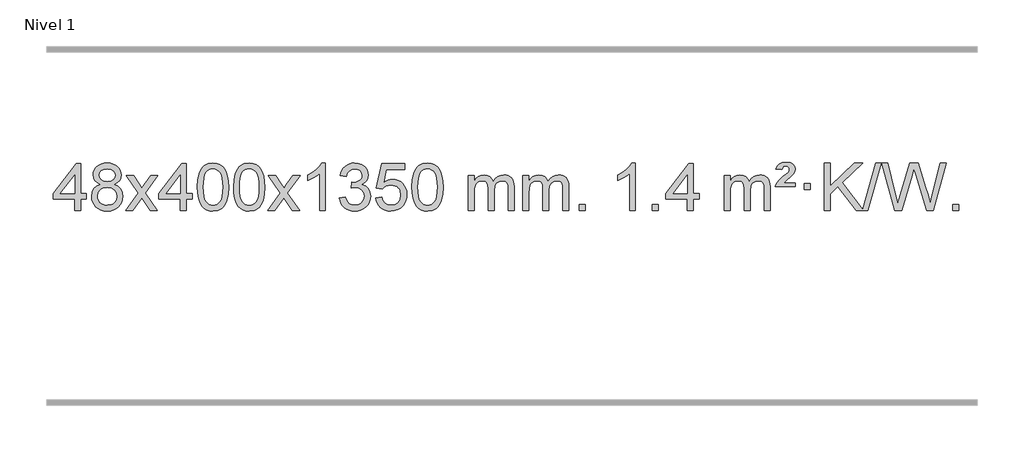
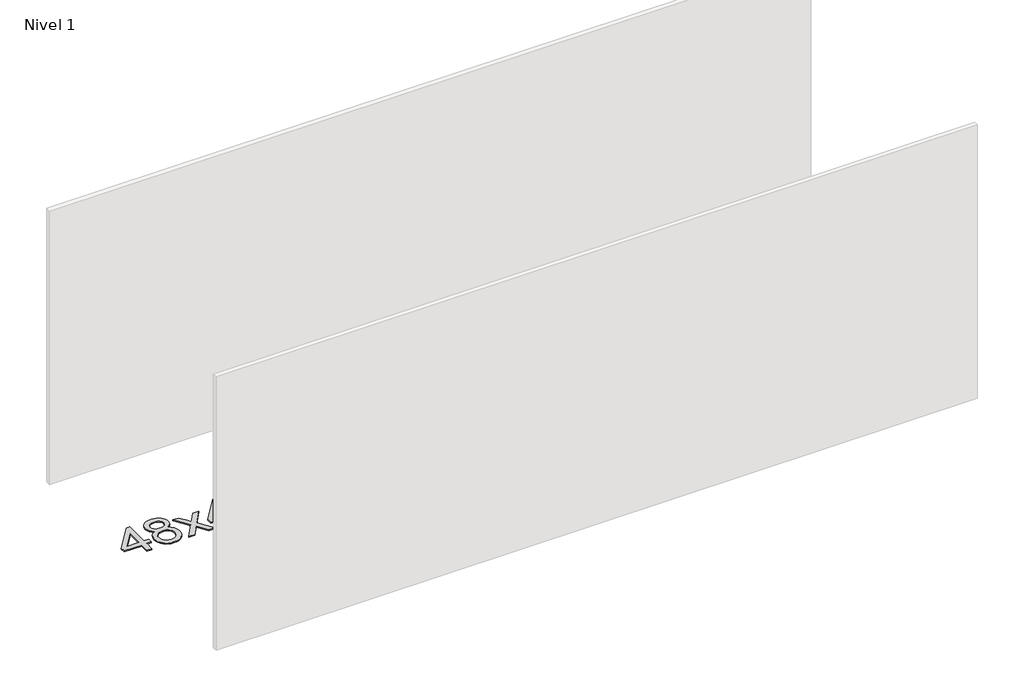
# One storey, part 9 of 10: 1 proxy.
"""IFC4 building model written with IfcOpenShell, lengths in millimetres."""

import ifcopenshell
import ifcopenshell.guid

model = None  # the IFC model being written
_history = None  # IfcOwnerHistory: only IFC2X3 demands one
_inside = {}  # id of a spatial element -> (the spatial element, [elements in it])
_under = {}  # id of a project, library or spatial element -> (it, [spatial elements below it])
_declared = {}  # id of a project -> (the project, [libraries it declares])
_typed = {}  # id of a type object -> (the type object, [elements of that type])
_made_of = {}  # id of a material, layer set ... -> (it, [elements and type objects made of it])


def new_model(schema):
    """Start an empty IFC model of exactly this schema.

    Asked for "IFC4X3", IfcOpenShell would pick the latest addendum, in which some entities
    have other attributes; the version numbers below select the first issue.
    IFC2X3 requires an IfcOwnerHistory on every rooted entity: one is made here for all.
    """
    global model, _history
    if schema == "IFC4X3":
        model = ifcopenshell.file(schema_version=(4, 3, 0, 0))
    else:
        model = ifcopenshell.file(schema=schema)
    _inside.clear()
    _under.clear()
    _declared.clear()
    _typed.clear()
    _made_of.clear()
    _history = None
    if model.schema == "IFC2X3":
        org = make("IfcOrganization", Name="unknown")
        user = make(
            "IfcPersonAndOrganization",
            ThePerson=make("IfcPerson", FamilyName="unknown"),
            TheOrganization=org,
        )
        app = make(
            "IfcApplication",
            ApplicationDeveloper=org,
            Version="unknown",
            ApplicationFullName="unknown",
            ApplicationIdentifier="unknown",
        )
        _history = make(
            "IfcOwnerHistory",
            OwningUser=user,
            OwningApplication=app,
            ChangeAction="ADDED",
            CreationDate=0,
        )
    return model


def make(cls, **values):
    """One entity of the class cls with the attributes given. An attribute that is None is left unset."""
    return model.create_entity(
        cls, **{name: value for name, value in values.items() if value is not None}
    )


def rooted(cls, **values):
    """An entity with a GlobalId (a new one), such as an element, a storey or a relation."""
    return make(cls, GlobalId=ifcopenshell.guid.new(), OwnerHistory=_history, **values)


def si_unit(unit_type, name, prefix=None):
    """IfcSIUnit, for example si_unit("LENGTHUNIT", "METRE", prefix="MILLI")."""
    return make("IfcSIUnit", UnitType=unit_type, Prefix=prefix, Name=name)


def assignment(units):
    """IfcUnitAssignment: the units of a project."""
    return None if units is None else make("IfcUnitAssignment", Units=units)


def point(xyz):
    """IfcCartesianPoint."""
    return None if xyz is None else make("IfcCartesianPoint", Coordinates=xyz)


def direction(xyz):
    """IfcDirection."""
    return None if xyz is None else make("IfcDirection", DirectionRatios=xyz)


def frame(location, z_axis=None, x_axis=None):
    """IfcAxis2Placement3D, a coordinate frame: its origin and axes. An axis left out is left unset."""
    return make(
        "IfcAxis2Placement3D",
        Location=point(location),
        Axis=direction(z_axis),
        RefDirection=direction(x_axis),
    )


def origin():
    """The frame at (0, 0, 0) with its axes left unset."""
    return frame((0.0, 0.0, 0.0))


def origin_with_axes():
    """The frame at (0, 0, 0) with the z axis (0, 0, 1) and the x axis (1, 0, 0) written out."""
    return frame((0.0, 0.0, 0.0), z_axis=(0.0, 0.0, 1.0), x_axis=(1.0, 0.0, 0.0))


def place(relative_to, where):
    """IfcLocalPlacement: puts the frame where relative to a parent placement (None: the world)."""
    return make(
        "IfcLocalPlacement", PlacementRelTo=relative_to, RelativePlacement=where
    )


def context(
    kind, dimensions, precision=None, world=None, true_north=None, identifier=None
):
    """IfcGeometricRepresentationContext, for example the 3D "Model" context."""
    return make(
        "IfcGeometricRepresentationContext",
        ContextIdentifier=identifier,
        ContextType=kind,
        CoordinateSpaceDimension=dimensions,
        Precision=precision,
        WorldCoordinateSystem=world,
        TrueNorth=true_north,
    )


def project(units=None, contexts=None):
    """IfcProject with its units and contexts."""
    return rooted(
        "IfcProject",
        Name="project",
        RepresentationContexts=contexts,
        UnitsInContext=assignment(units),
    )


def spatial(cls, under=None, at=None, **own):
    """A site, building, storey or space (cls), placed at a placement, below another one or the project."""
    s = rooted(cls, ObjectPlacement=at, **own)
    if under is not None:
        _under.setdefault(under.id(), (under, []))[1].append(s)
    return s


def polyline(points):
    """IfcPolyline through the points."""
    return make("IfcPolyline", Points=[point(p) for p in points])


def outline(outer, holes=None, kind="AREA"):
    """IfcArbitraryClosedProfileDef: a profile drawn as a closed curve; with holes, ...WithVoids."""
    if holes is None:
        return make("IfcArbitraryClosedProfileDef", ProfileType=kind, OuterCurve=outer)
    return make(
        "IfcArbitraryProfileDefWithVoids",
        ProfileType=kind,
        OuterCurve=outer,
        InnerCurves=holes,
    )


def extrude(swept, where, along, depth):
    """IfcExtrudedAreaSolid: the profile swept, set in the frame where, extruded along a direction by depth."""
    return make(
        "IfcExtrudedAreaSolid",
        SweptArea=swept,
        Position=where,
        ExtrudedDirection=direction(along),
        Depth=depth,
    )


def shape(context_of_items, identifier, shape_type, items):
    """IfcShapeRepresentation: the items that make up one representation, for example the "Body"."""
    return make(
        "IfcShapeRepresentation",
        ContextOfItems=context_of_items,
        RepresentationIdentifier=identifier,
        RepresentationType=shape_type,
        Items=items,
    )


def made_of(thing, what):
    """Note that an element or type object is made of a material, layer set ...; save() writes the relation."""
    if what is not None:
        _made_of.setdefault(what.id(), (what, []))[1].append(thing)
    return thing


def element(
    cls,
    number,
    at=None,
    inside=None,
    cuts=None,
    type_object=None,
    material=None,
    context=None,
    identifier="Body",
    shape_type=None,
    held_by="IfcProductDefinitionShape",
    body=None,
    shapes=None,
    **own,
):
    """One element of the class cls, such as IfcWall. Its Tag is "e" and its number.

    at: its placement. inside: the storey or other place that contains it. cuts: it is an
    opening in that element (IfcRelVoidsElement). A single representation is given by context,
    identifier, shape_type and body (its items); several are given by shapes. held_by: the class
    of the entity that holds the representations. save() writes the other relations.
    """
    e = rooted(cls, Tag="e%d" % number, ObjectPlacement=at, **own)
    if body is not None:
        shapes = [shape(context, identifier, shape_type, body)]
    if shapes is not None:
        e.Representation = make(held_by, Representations=shapes)
    if inside is not None:
        _inside.setdefault(inside.id(), (inside, []))[1].append(e)
    if cuts is not None:
        rooted(
            "IfcRelVoidsElement", RelatingBuildingElement=cuts, RelatedOpeningElement=e
        )
    if type_object is not None:
        _typed.setdefault(type_object.id(), (type_object, []))[1].append(e)
    return made_of(e, material)


def aggregate(whole, parts):
    """IfcRelAggregates: a whole, such as a stair, and the parts it consists of."""
    return rooted("IfcRelAggregates", RelatingObject=whole, RelatedObjects=parts)


def save(model, path):
    """Write the relations noted so far, then the file.

    IfcRelAggregates (storeys below a building ...), IfcRelContainedInSpatialStructure (elements
    in a storey), IfcRelDefinesByType, IfcRelAssociatesMaterial and IfcRelDeclares: one each for
    every whole, place, type object, material and project.
    """
    for whole, parts in _under.values():
        aggregate(whole, parts)
    for where, things in _inside.values():
        rooted(
            "IfcRelContainedInSpatialStructure",
            RelatedElements=things,
            RelatingStructure=where,
        )
    for kind, things in _typed.values():
        rooted("IfcRelDefinesByType", RelatedObjects=things, RelatingType=kind)
    for what, things in _made_of.values():
        rooted("IfcRelAssociatesMaterial", RelatedObjects=things, RelatingMaterial=what)
    for by, libraries in _declared.values():
        rooted("IfcRelDeclares", RelatingContext=by, RelatedDefinitions=libraries)
    model.write(path)


model = new_model("IFC4")

# Units and contexts
model_context = context("Model", 3, world=origin())
ifc_project = project(units=[si_unit("LENGTHUNIT", "METRE", prefix="MILLI")], contexts=[model_context])

# Site, building, storey
site = spatial("IfcSite", under=ifc_project)
building = spatial("IfcBuilding", under=site)
storey = spatial("IfcBuildingStorey", under=building, Name="Nivel 1", Elevation=0.0)

# Proxy
placement = place(None, origin())
element("IfcBuildingElementProxy", 1, Name="Texto de modelo 1", ObjectType="Texto de modelo 1", at=placement, inside=storey, context=model_context, shape_type="SweptSolid", body=[
    extrude(outline(polyline([(-11392.9282065, 2608.420547), (-11392.9282065, 2702.5983378), (-11575.0052686, 2702.5983378), (-11575.0052686, 2752.8264928), (-11380.3711677, 3003.9672682), (-11342.7000514, 3003.9672682), (-11342.7000514, 2752.8264928), (-11292.4718963, 2752.8264928), (-11292.4718963, 2702.5983378), (-11342.7000514, 2702.5983378), (-11342.7000514, 2608.420547), (-11392.9282065, 2608.420547)]), holes=[polyline([(-11392.9282065, 2752.8264928), (-11392.9282065, 2908.0236439), (-11513.2010934, 2752.8264928), (-11392.9282065, 2752.8264928)])]), origin_with_axes(), (0.0, 0.0, 1.0), 10.0),
    extrude(outline(polyline([(-11175.3382691, 2829.7383553), (-11202.2304429, 2842.9821071), (-11221.1027893, 2860.9347485), (-11232.2496137, 2883.2283974), (-11235.9652219, 2909.4951719), (-11233.9418709, 2929.9800676), (-11227.871818, 2948.7604435), (-11217.7550631, 2965.8362994), (-11203.5916063, 2981.2076355), (-11186.0620292, 2993.911827), (-11165.8469136, 3002.9862496), (-11142.9462594, 3008.4309031), (-11117.3600666, 3010.2457876), (-11091.6512465, 3008.3879835), (-11068.5789141, 3002.8145713), (-11048.1430692, 2993.5255509), (-11030.343712, 2980.5209224), (-11015.9227378, 2964.8491494), (-11005.6220419, 2947.5586956), (-10999.4416244, 2928.6495611), (-10997.3814853, 2908.1217457), (-11001.0480425, 2882.7010999), (-11012.0477141, 2860.7875957), (-11030.5031276, 2842.9453189), (-11056.5369101, 2829.7383553), (-11025.6225598, 2813.8090649), (-11003.1204444, 2790.3504564), (-10989.398446, 2760.4907011), (-10984.8244465, 2725.3579705), (-10987.0930521, 2700.3052067), (-10993.898869, 2677.3371074), (-11005.2418972, 2656.4536728), (-11021.1221367, 2637.6549029), (-11040.7057216, 2622.11802), (-11063.158786, 2611.0202464), (-11088.48133, 2604.3615823), (-11116.6733536, 2602.1420276), (-11144.8653771, 2604.3707794), (-11170.1879211, 2611.0570346), (-11192.6409856, 2622.2007934), (-11212.2245704, 2637.8020557), (-11228.1048099, 2656.73265), (-11239.4478381, 2677.864405), (-11246.253655, 2701.1973205), (-11248.5222606, 2726.7313967), (-11243.7643202, 2763.2252906), (-11229.4904987, 2793.2444614), (-11206.4365604, 2815.7588395), (-11175.3382691, 2829.7383553)]), holes=[polyline([(-11185.7370668, 2908.0236439), (-11181.2856946, 2886.097877), (-11167.9315782, 2868.586694), (-11146.067125, 2857.1087757), (-11116.0847424, 2853.282803), (-11086.8013355, 2857.0842503), (-11065.2679761, 2868.4885921), (-11052.0242243, 2885.4111639), (-11047.6096403, 2905.767301), (-11052.1713771, 2926.8959902), (-11065.8565873, 2944.370385), (-11087.6842523, 2956.1058206), (-11116.6733536, 2960.0176325), (-11145.8463958, 2956.1916598), (-11167.6372726, 2944.7137415), (-11181.2121182, 2927.8892716), (-11185.7370668, 2908.0236439)]), polyline([(-11198.2941056, 2728.4972302), (-11196.1971782, 2709.2815274), (-11189.9063961, 2690.6789611), (-11178.2935878, 2674.4553651), (-11160.2305818, 2662.376573), (-11138.5991205, 2654.8717803), (-11116.2809461, 2652.3701827), (-11082.092446, 2657.6308952), (-11068.1987693, 2664.2067859), (-11056.4388082, 2673.4130328), (-11040.3991532, 2697.3130998), (-11035.0526016, 2726.9276004), (-11040.5708315, 2757.0448731), (-11057.1255213, 2781.4722375), (-11069.2043134, 2790.9145421), (-11083.3677703, 2797.6590453), (-11117.9486778, 2803.0546479), (-11151.6589313, 2797.7326217), (-11165.3962581, 2791.080089), (-11177.0550517, 2781.7665431), (-11192.9843421, 2757.8051625), (-11198.2941056, 2728.4972302)])]), origin_with_axes(), (0.0, 0.0, 1.0), 10.0),
    extrude(outline(polyline([(-10959.7103689, 2608.420547), (-10852.3869282, 2756.7505675), (-10953.4318496, 2903.5109581), (-10893.0011005, 2903.5109581), (-10844.2444734, 2832.877615), (-10821.4848406, 2799.5229808), (-10801.7663657, 2826.7952993), (-10746.2407099, 2903.5109581), (-10685.8099608, 2903.5109581), (-10791.9561791, 2756.7505675), (-10689.7340354, 2608.420547), (-10750.1647845, 2608.420547), (-10811.6746541, 2697.5951426), (-10822.9563686, 2713.8800523), (-10899.2796199, 2608.420547), (-10959.7103689, 2608.420547)])), origin_with_axes(), (0.0, 0.0, 1.0), 10.0),
    extrude(outline(polyline([(-10495.0999345, 2608.420547), (-10495.0999345, 2702.5983378), (-10677.1769967, 2702.5983378), (-10677.1769967, 2752.8264928), (-10482.5428957, 3003.9672682), (-10444.8717794, 3003.9672682), (-10444.8717794, 2752.8264928), (-10394.6436244, 2752.8264928), (-10394.6436244, 2702.5983378), (-10444.8717794, 2702.5983378), (-10444.8717794, 2608.420547), (-10495.0999345, 2608.420547)]), holes=[polyline([(-10495.0999345, 2752.8264928), (-10495.0999345, 2908.0236439), (-10615.3728215, 2752.8264928), (-10495.0999345, 2752.8264928)])]), origin_with_axes(), (0.0, 0.0, 1.0), 10.0),
    extrude(outline(polyline([(-10350.6939887, 2806.0958057), (-10347.002906, 2870.4138412), (-10335.9296579, 2921.7088541), (-10317.5846091, 2960.7656593), (-10305.7265461, 2975.9990395), (-10292.0781241, 2988.3690716), (-10276.5933578, 2997.9401349), (-10259.2262619, 3004.7766086), (-10218.8450816, 3010.2457876), (-10187.8939431, 3007.008426), (-10160.1801661, 2997.2963414), (-10137.0036004, 2981.4896783), (-10119.6640957, 2959.9685816), (-10106.5674967, 2932.9169922), (-10096.119648, 2900.5188512), (-10089.2770429, 2859.3773814), (-10086.9961745, 2806.0958057), (-10090.650469, 2742.1456523), (-10101.6133525, 2690.9732667), (-10119.8480367, 2651.8796734), (-10131.6785085, 2636.6003078), (-10145.3177335, 2624.1658964), (-10160.8208939, 2614.5304538), (-10178.2431721, 2607.6479948), (-10218.8450816, 2602.1420276), (-10246.5098076, 2604.5332606), (-10271.035274, 2611.7069595), (-10292.4214806, 2623.6631243), (-10310.6684276, 2640.4017551), (-10328.1796106, 2670.6600492), (-10340.6875984, 2708.3618224), (-10348.1923911, 2753.5070745), (-10350.6939887, 2806.0958057)]), holes=[polyline([(-10300.4658336, 2806.1939076), (-10298.9943056, 2762.5293805), (-10294.5797217, 2727.1851178), (-10287.2220818, 2700.1611196), (-10276.9213859, 2681.4573858), (-10264.462449, 2668.7317344), (-10250.630086, 2659.6419835), (-10235.4242968, 2654.1881329), (-10218.8450816, 2652.3701827), (-10202.2658663, 2654.1942643), (-10187.0600772, 2659.6665089), (-10173.2277142, 2668.7869167), (-10160.7687773, 2681.5554876), (-10150.4680814, 2700.2898783), (-10143.1104415, 2727.3077451), (-10138.6958576, 2762.6090882), (-10137.2243296, 2806.1939076), (-10138.6468066, 2848.7026722), (-10142.9142378, 2883.4246011), (-10150.026623, 2910.3596945), (-10159.9839624, 2929.5079524), (-10172.2344328, 2942.8559375), (-10186.2262114, 2952.3902125), (-10201.959298, 2958.1107775), (-10219.4336928, 2960.0176325), (-10235.9270689, 2958.3376381), (-10250.8753406, 2953.2976548), (-10264.278508, 2944.8976825), (-10276.136571, 2933.1377214), (-10286.7806234, 2912.291075), (-10294.3835179, 2884.1848906), (-10298.9452547, 2848.8191681), (-10300.4658336, 2806.1939076)])]), origin_with_axes(), (0.0, 0.0, 1.0), 10.0),
    extrude(outline(polyline([(-10043.0465388, 2806.0958057), (-10039.3554561, 2870.4138412), (-10028.2822081, 2921.7088541), (-10009.9371593, 2960.7656593), (-9998.0790963, 2975.9990395), (-9984.4306743, 2988.3690716), (-9968.945908, 2997.9401349), (-9951.5788121, 3004.7766086), (-9911.1976318, 3010.2457876), (-9880.2464932, 3007.008426), (-9852.5327163, 2997.2963414), (-9829.3561506, 2981.4896783), (-9812.0166459, 2959.9685816), (-9798.9200468, 2932.9169922), (-9788.4721982, 2900.5188512), (-9781.6295931, 2859.3773814), (-9779.3487247, 2806.0958057), (-9783.0030192, 2742.1456523), (-9793.9659026, 2690.9732667), (-9812.2005869, 2651.8796734), (-9824.0310587, 2636.6003078), (-9837.6702837, 2624.1658964), (-9853.1734441, 2614.5304538), (-9870.5957222, 2607.6479948), (-9911.1976318, 2602.1420276), (-9938.8623578, 2604.5332606), (-9963.3878241, 2611.7069595), (-9984.7740308, 2623.6631243), (-10003.0209778, 2640.4017551), (-10020.5321607, 2670.6600492), (-10033.0401486, 2708.3618224), (-10040.5449413, 2753.5070745), (-10043.0465388, 2806.0958057)]), holes=[polyline([(-9992.8183838, 2806.1939076), (-9991.3468558, 2762.5293805), (-9986.9322718, 2727.1851178), (-9979.5746319, 2700.1611196), (-9969.2739361, 2681.4573858), (-9956.8149992, 2668.7317344), (-9942.9826361, 2659.6419835), (-9927.776847, 2654.1881329), (-9911.1976318, 2652.3701827), (-9894.6184165, 2654.1942643), (-9879.4126274, 2659.6665089), (-9865.5802644, 2668.7869167), (-9853.1213275, 2681.5554876), (-9842.8206316, 2700.2898783), (-9835.4629917, 2727.3077451), (-9831.0484077, 2762.6090882), (-9829.5768798, 2806.1939076), (-9830.9993568, 2848.7026722), (-9835.266788, 2883.4246011), (-9842.3791732, 2910.3596945), (-9852.3365125, 2929.5079524), (-9864.586983, 2942.8559375), (-9878.5787615, 2952.3902125), (-9894.3118482, 2958.1107775), (-9911.786243, 2960.0176325), (-9928.2796191, 2958.3376381), (-9943.2278908, 2953.2976548), (-9956.6310582, 2944.8976825), (-9968.4891211, 2933.1377214), (-9979.1331735, 2912.291075), (-9986.7360681, 2884.1848906), (-9991.2978048, 2848.8191681), (-9992.8183838, 2806.1939076)])]), origin_with_axes(), (0.0, 0.0, 1.0), 10.0),
    extrude(outline(polyline([(-9754.2346472, 2608.420547), (-9646.9112064, 2756.7505675), (-9747.9561278, 2903.5109581), (-9687.5253787, 2903.5109581), (-9638.7687516, 2832.877615), (-9616.0091188, 2799.5229808), (-9596.2906439, 2826.7952993), (-9540.7649881, 2903.5109581), (-9480.334239, 2903.5109581), (-9586.4804574, 2756.7505675), (-9484.2583136, 2608.420547), (-9544.6890627, 2608.420547), (-9606.1989323, 2697.5951426), (-9617.4806468, 2713.8800523), (-9693.8038981, 2608.420547), (-9754.2346472, 2608.420547)])), origin_with_axes(), (0.0, 0.0, 1.0), 10.0),
    extrude(outline(polyline([(-9264.5101352, 2608.420547), (-9314.7382902, 2608.420547), (-9314.7382902, 2921.5617013), (-9335.707564, 2904.6023413), (-9362.317695, 2887.6675068), (-9415.1946004, 2862.3081746), (-9415.1946004, 2909.7894775), (-9375.7453878, 2931.2492605), (-9341.5691504, 2956.780271), (-9314.6279257, 2983.9299622), (-9296.8837508, 3010.2457876), (-9264.5101352, 3010.2457876), (-9264.5101352, 2608.420547)])), origin_with_axes(), (0.0, 0.0, 1.0), 10.0),
    extrude(outline(polyline([(-9145.2182669, 2715.1553765), (-9094.9901118, 2721.4338959), (-9083.7451855, 2689.8696207), (-9067.2763348, 2668.5569905), (-9044.7742195, 2656.4168846), (-9015.429499, 2652.3701827), (-8980.9957442, 2657.9374636), (-8966.7219228, 2664.8965646), (-8954.4101387, 2674.6393061), (-8937.4139905, 2699.5571799), (-8931.7486078, 2729.7725545), (-8937.3649396, 2758.4550874), (-8954.213935, 2781.7174922), (-8979.72042, 2797.1317478), (-9011.3092206, 2802.269833), (-9046.5277903, 2796.7761285), (-9040.935984, 2847.0042836), (-9032.891631, 2846.4156724), (-9002.7988838, 2850.020916), (-8975.8944472, 2860.8366466), (-8964.8211992, 2869.0158897), (-8956.9117363, 2879.1326445), (-8952.1660585, 2891.1869112), (-8950.584166, 2905.1786898), (-8955.1704282, 2926.8714648), (-8968.9292148, 2944.4684869), (-8989.923014, 2956.1303461), (-9016.2143139, 2960.0176325), (-9042.5546648, 2956.0935579), (-9064.0880242, 2944.3213341), (-9079.8088481, 2924.700961), (-9088.7115924, 2897.2324387), (-9138.9397475, 2903.5109581), (-9132.9861905, 2927.4907328), (-9124.1508913, 2948.6132907), (-9112.4338497, 2966.8786317), (-9097.8350659, 2982.286756), (-9080.8143922, 2994.5188323), (-9061.8316813, 3003.2560297), (-9040.886933, 3008.4983481), (-9017.9801475, 3010.2457876), (-8986.4036096, 3006.7999596), (-8957.4022456, 2996.4624755), (-8932.9503557, 2980.1530404), (-8915.0222398, 2958.7913592), (-8904.0225681, 2934.1800537), (-8900.3560109, 2908.1217457), (-8903.8386271, 2883.8415341), (-8914.2864758, 2861.8176653), (-8931.5524041, 2843.0556835), (-8955.4892592, 2828.5611329), (-8924.0476114, 2815.8569414), (-8900.7484183, 2794.22548), (-8886.3274441, 2764.8439714), (-8881.5204527, 2728.8896377), (-8883.9239484, 2703.4076782), (-8891.1344355, 2679.9368069), (-8903.151914, 2658.4770238), (-8919.976384, 2639.028329), (-8940.4735425, 2622.8905722), (-8963.5090867, 2611.363603), (-8989.0830168, 2604.4474215), (-9017.1953326, 2602.1420276), (-9042.6037157, 2604.1101963), (-9065.7557559, 2610.0147023), (-9086.6514532, 2619.8555457), (-9105.2908077, 2633.6327264), (-9120.9196611, 2650.5369041), (-9132.7838554, 2669.7587383), (-9140.8833907, 2691.2982292), (-9145.2182669, 2715.1553765)])), origin_with_axes(), (0.0, 0.0, 1.0), 10.0),
    extrude(outline(polyline([(-8837.570817, 2715.1553765), (-8787.342662, 2721.4338959), (-8778.1210866, 2691.2798351), (-8762.0323807, 2669.6851619), (-8739.1501206, 2656.6989275), (-8709.5478827, 2652.3701827), (-8690.418019, 2653.8754332), (-8673.5444981, 2658.3911847), (-8658.9273202, 2665.9174372), (-8646.5664851, 2676.4541906), (-8636.7379045, 2689.480279), (-8629.7174898, 2704.4745359), (-8624.101158, 2740.3675559), (-8629.3618705, 2774.1636486), (-8635.9377612, 2788.0818507), (-8645.1440081, 2800.0134901), (-8657.0112681, 2809.5845533), (-8671.5701981, 2816.4210271), (-8708.7630678, 2821.8902061), (-8733.1291186, 2819.7074396), (-8752.8598563, 2813.1591401), (-8768.6174684, 2803.1282243), (-8781.0641426, 2790.4976092), (-8831.2922977, 2796.7761285), (-8787.342662, 3003.9672682), (-8592.708561, 3003.9672682), (-8592.708561, 2953.7391131), (-8746.7284897, 2953.7391131), (-8768.2127982, 2843.080209), (-8750.4870174, 2855.7844006), (-8732.332041, 2864.8588231), (-8713.7478688, 2870.3034766), (-8694.734501, 2872.1183612), (-8670.273414, 2869.8681496), (-8647.8050212, 2863.117515), (-8627.3293225, 2851.8664573), (-8608.8463179, 2836.1149766), (-8593.5454926, 2816.8256973), (-8582.6163316, 2794.961244), (-8576.0588351, 2770.5216168), (-8573.8730029, 2743.5068156), (-8575.8411716, 2717.4852958), (-8581.7456776, 2693.2786606), (-8591.586521, 2670.8869098), (-8605.3637017, 2650.3100435), (-8626.2348735, 2629.2365366), (-8650.5886616, 2614.1840316), (-8678.4250659, 2605.1525286), (-8709.7440864, 2602.1420276), (-8735.6644387, 2604.0764738), (-8759.077062, 2609.8798123), (-8779.9819564, 2619.552043), (-8798.3791218, 2633.0931662), (-8813.6860785, 2649.8287312), (-8825.3203466, 2669.084288), (-8833.2819261, 2690.8598364), (-8837.570817, 2715.1553765)])), origin_with_axes(), (0.0, 0.0, 1.0), 10.0),
    extrude(outline(polyline([(-8529.9233672, 2806.0958057), (-8526.2322845, 2870.4138412), (-8515.1590365, 2921.7088541), (-8496.8139876, 2960.7656593), (-8484.9559247, 2975.9990395), (-8471.3075026, 2988.3690716), (-8455.8227363, 2997.9401349), (-8438.4556405, 3004.7766086), (-8398.0744601, 3010.2457876), (-8367.1233216, 3007.008426), (-8339.4095446, 2997.2963414), (-8316.2329789, 2981.4896783), (-8298.8934742, 2959.9685816), (-8285.7968752, 2932.9169922), (-8275.3490265, 2900.5188512), (-8268.5064214, 2859.3773814), (-8266.2255531, 2806.0958057), (-8269.8798475, 2742.1456523), (-8280.842731, 2690.9732667), (-8299.0774152, 2651.8796734), (-8310.9078871, 2636.6003078), (-8324.547112, 2624.1658964), (-8340.0502724, 2614.5304538), (-8357.4725506, 2607.6479948), (-8398.0744601, 2602.1420276), (-8425.7391862, 2604.5332606), (-8450.2646525, 2611.7069595), (-8471.6508592, 2623.6631243), (-8489.8978061, 2640.4017551), (-8507.4089891, 2670.6600492), (-8519.9169769, 2708.3618224), (-8527.4217696, 2753.5070745), (-8529.9233672, 2806.0958057)]), holes=[polyline([(-8479.6952121, 2806.1939076), (-8478.2236842, 2762.5293805), (-8473.8091002, 2727.1851178), (-8466.4514603, 2700.1611196), (-8456.1507644, 2681.4573858), (-8443.6918275, 2668.7317344), (-8429.8594645, 2659.6419835), (-8414.6536754, 2654.1881329), (-8398.0744601, 2652.3701827), (-8381.4952449, 2654.1942643), (-8366.2894558, 2659.6665089), (-8352.4570927, 2668.7869167), (-8339.9981558, 2681.5554876), (-8329.69746, 2700.2898783), (-8322.3398201, 2727.3077451), (-8317.9252361, 2762.6090882), (-8316.4537081, 2806.1939076), (-8317.8761852, 2848.7026722), (-8322.1436163, 2883.4246011), (-8329.2560016, 2910.3596945), (-8339.2133409, 2929.5079524), (-8351.4638113, 2942.8559375), (-8365.4555899, 2952.3902125), (-8381.1886766, 2958.1107775), (-8398.6630713, 2960.0176325), (-8415.1564474, 2958.3376381), (-8430.1047192, 2953.2976548), (-8443.5078865, 2944.8976825), (-8455.3659495, 2933.1377214), (-8466.0100019, 2912.291075), (-8473.6128965, 2884.1848906), (-8478.1746332, 2848.8191681), (-8479.6952121, 2806.1939076)])]), origin_with_axes(), (0.0, 0.0, 1.0), 10.0),
    extrude(outline(polyline([(-8052.755894, 2608.420547), (-8052.755894, 2903.5109581), (-8002.5277389, 2903.5109581), (-8002.5277389, 2854.9505347), (-7987.4200517, 2877.2564463), (-7967.9958823, 2894.7308411), (-7944.9174185, 2906.0248184), (-7918.8468478, 2909.7894775), (-7890.9123416, 2905.951242), (-7868.5205908, 2894.4365355), (-7851.7942228, 2876.0056476), (-7840.8558648, 2851.4188676), (-7822.5476041, 2876.9560094), (-7801.6641696, 2895.196825), (-7778.205561, 2906.1413143), (-7752.1717785, 2909.7894775), (-7732.0639617, 2908.2719642), (-7714.414823, 2903.7194245), (-7699.2243623, 2896.1318584), (-7686.4925796, 2885.5092658), (-7676.4279413, 2871.7290194), (-7669.238914, 2854.6684918), (-7664.9254976, 2834.3276832), (-7663.4876922, 2810.7065934), (-7663.4876922, 2608.420547), (-7713.7158472, 2608.420547), (-7713.7158472, 2789.124183), (-7714.8808069, 2814.1769469), (-7718.3756858, 2831.0627305), (-7724.9239854, 2842.6264879), (-7735.2492067, 2851.7131732), (-7748.5297467, 2857.5992851), (-7763.9440023, 2859.5613224), (-7791.1550072, 2854.5336018), (-7813.3382915, 2839.45044), (-7821.9436645, 2827.8805512), (-7828.0903595, 2813.2817674), (-7833.0077155, 2774.9975144), (-7833.0077155, 2608.420547), (-7883.2358706, 2608.420547), (-7883.2358706, 2794.7159894), (-7886.1421384, 2823.1164794), (-7894.8609417, 2843.3745146), (-7910.2016209, 2855.5146204), (-7932.9735164, 2859.5613224), (-7952.3241093, 2856.8635211), (-7970.1541233, 2848.7701172), (-7984.8694032, 2835.4773144), (-7994.8757934, 2817.1813165), (-8000.6147525, 2791.7974589), (-8002.5277389, 2757.2410768), (-8002.5277389, 2608.420547), (-8052.755894, 2608.420547)])), origin_with_axes(), (0.0, 0.0, 1.0), 10.0),
    extrude(outline(polyline([(-7588.1454596, 2608.420547), (-7588.1454596, 2903.5109581), (-7537.9173045, 2903.5109581), (-7537.9173045, 2854.9505347), (-7522.8096172, 2877.2564463), (-7503.3854479, 2894.7308411), (-7480.306984, 2906.0248184), (-7454.2364133, 2909.7894775), (-7426.3019071, 2905.951242), (-7403.9101564, 2894.4365355), (-7387.1837883, 2876.0056476), (-7376.2454303, 2851.4188676), (-7357.9371697, 2876.9560094), (-7337.0537351, 2895.196825), (-7313.5951266, 2906.1413143), (-7287.561344, 2909.7894775), (-7267.4535273, 2908.2719642), (-7249.8043886, 2903.7194245), (-7234.6139279, 2896.1318584), (-7221.8821452, 2885.5092658), (-7211.8175069, 2871.7290194), (-7204.6284796, 2854.6684918), (-7200.3150632, 2834.3276832), (-7198.8772577, 2810.7065934), (-7198.8772577, 2608.420547), (-7249.1054128, 2608.420547), (-7249.1054128, 2789.124183), (-7250.2703724, 2814.1769469), (-7253.7652514, 2831.0627305), (-7260.3135509, 2842.6264879), (-7270.6387722, 2851.7131732), (-7283.9193123, 2857.5992851), (-7299.3335679, 2859.5613224), (-7326.5445728, 2854.5336018), (-7348.7278571, 2839.45044), (-7357.3332301, 2827.8805512), (-7363.4799251, 2813.2817674), (-7368.3972811, 2774.9975144), (-7368.3972811, 2608.420547), (-7418.6254362, 2608.420547), (-7418.6254362, 2794.7159894), (-7421.5317039, 2823.1164794), (-7430.2505072, 2843.3745146), (-7445.5911864, 2855.5146204), (-7468.3630819, 2859.5613224), (-7487.7136749, 2856.8635211), (-7505.5436889, 2848.7701172), (-7520.2589687, 2835.4773144), (-7530.265359, 2817.1813165), (-7536.0043181, 2791.7974589), (-7537.9173045, 2757.2410768), (-7537.9173045, 2608.420547), (-7588.1454596, 2608.420547)])), origin_with_axes(), (0.0, 0.0, 1.0), 10.0),
    extrude(outline(polyline([(-7110.9779863, 2608.420547), (-7110.9779863, 2658.6487021), (-7060.7498313, 2658.6487021), (-7060.7498313, 2608.420547), (-7110.9779863, 2608.420547)])), origin_with_axes(), (0.0, 0.0, 1.0), 10.0),
    extrude(outline(polyline([(-6633.8105131, 2608.420547), (-6684.0386682, 2608.420547), (-6684.0386682, 2921.5617013), (-6705.0079419, 2904.6023413), (-6731.6180729, 2887.6675068), (-6784.4949784, 2862.3081746), (-6784.4949784, 2909.7894775), (-6745.0457657, 2931.2492605), (-6710.8695284, 2956.780271), (-6683.9283036, 2983.9299622), (-6666.1841287, 3010.2457876), (-6633.8105131, 3010.2457876), (-6633.8105131, 2608.420547)])), origin_with_axes(), (0.0, 0.0, 1.0), 10.0),
    extrude(outline(polyline([(-6489.4045673, 2608.420547), (-6489.4045673, 2658.6487021), (-6439.1764122, 2658.6487021), (-6439.1764122, 2608.420547), (-6489.4045673, 2608.420547)])), origin_with_axes(), (0.0, 0.0, 1.0), 10.0),
    extrude(outline(polyline([(-6194.3141562, 2608.420547), (-6194.3141562, 2702.5983378), (-6376.3912184, 2702.5983378), (-6376.3912184, 2752.8264928), (-6181.7571175, 3003.9672682), (-6144.0860012, 3003.9672682), (-6144.0860012, 2752.8264928), (-6093.8578461, 2752.8264928), (-6093.8578461, 2702.5983378), (-6144.0860012, 2702.5983378), (-6144.0860012, 2608.420547), (-6194.3141562, 2608.420547)]), holes=[polyline([(-6194.3141562, 2752.8264928), (-6194.3141562, 2908.0236439), (-6314.5870432, 2752.8264928), (-6194.3141562, 2752.8264928)])]), origin_with_axes(), (0.0, 0.0, 1.0), 10.0),
    extrude(outline(polyline([(-5880.388187, 2608.420547), (-5880.388187, 2903.5109581), (-5830.1600319, 2903.5109581), (-5830.1600319, 2854.9505347), (-5815.0523447, 2877.2564463), (-5795.6281753, 2894.7308411), (-5772.5497115, 2906.0248184), (-5746.4791408, 2909.7894775), (-5718.5446346, 2905.951242), (-5696.1528838, 2894.4365355), (-5679.4265158, 2876.0056476), (-5668.4881578, 2851.4188676), (-5650.1798972, 2876.9560094), (-5629.2964626, 2895.196825), (-5605.837854, 2906.1413143), (-5579.8040715, 2909.7894775), (-5559.6962548, 2908.2719642), (-5542.047116, 2903.7194245), (-5526.8566553, 2896.1318584), (-5514.1248726, 2885.5092658), (-5504.0602344, 2871.7290194), (-5496.871207, 2854.6684918), (-5492.5577906, 2834.3276832), (-5491.1199852, 2810.7065934), (-5491.1199852, 2608.420547), (-5541.3481403, 2608.420547), (-5541.3481403, 2789.124183), (-5542.5130999, 2814.1769469), (-5546.0079789, 2831.0627305), (-5552.5562784, 2842.6264879), (-5562.8814997, 2851.7131732), (-5576.1620397, 2857.5992851), (-5591.5762953, 2859.5613224), (-5618.7873002, 2854.5336018), (-5640.9705845, 2839.45044), (-5649.5759576, 2827.8805512), (-5655.7226526, 2813.2817674), (-5660.6400086, 2774.9975144), (-5660.6400086, 2608.420547), (-5710.8681636, 2608.420547), (-5710.8681636, 2794.7159894), (-5713.7744314, 2823.1164794), (-5722.4932347, 2843.3745146), (-5737.8339139, 2855.5146204), (-5760.6058094, 2859.5613224), (-5779.9564023, 2856.8635211), (-5797.7864164, 2848.7701172), (-5812.5016962, 2835.4773144), (-5822.5080864, 2817.1813165), (-5828.2470456, 2791.7974589), (-5830.1600319, 2757.2410768), (-5830.1600319, 2608.420547), (-5880.388187, 2608.420547)])), origin_with_axes(), (0.0, 0.0, 1.0), 10.0),
    extrude(outline(polyline([(-5447.1703495, 2809.3331673), (-5443.3443767, 2825.1520931), (-5435.0057182, 2841.0200698), (-5413.4968842, 2866.1586728), (-5381.5402016, 2893.8969753), (-5337.3943621, 2931.273786), (-5330.2574514, 2942.8007552), (-5327.8784812, 2954.6220299), (-5329.7669421, 2966.7130848), (-5335.4323248, 2976.4987459), (-5344.801053, 2982.973469), (-5357.7995501, 2985.1317101), (-5370.2339616, 2983.5130293), (-5379.0876549, 2978.656987), (-5385.5133271, 2969.1901569), (-5390.663675, 2953.7391131), (-5440.8918301, 2960.0176325), (-5430.051574, 2985.2298119), (-5413.4233078, 3002.7900458), (-5389.6581309, 3013.0907417), (-5357.4071427, 3016.524307), (-5321.6244873, 3012.3917659), (-5296.8782917, 2999.9941427), (-5282.4573175, 2981.6613566), (-5277.6503261, 2959.7233269), (-5281.746079, 2936.8165414), (-5294.0333376, 2915.1850801), (-5314.561153, 2895.3685032), (-5351.0305214, 2867.3113697), (-5376.6351083, 2840.7257642), (-5277.6503261, 2840.7257642), (-5277.6503261, 2809.3331673), (-5447.1703495, 2809.3331673)])), origin_with_axes(), (0.0, 0.0, 1.0), 10.0),
    extrude(outline(polyline([(-5202.3080935, 2784.2190898), (-5202.3080935, 2834.4472448), (-5152.0799384, 2834.4472448), (-5152.0799384, 2784.2190898), (-5202.3080935, 2784.2190898)])), origin_with_axes(), (0.0, 0.0, 1.0), 10.0),
    extrude(outline(polyline([(-4761.4383105, 2608.420547), (-4914.8696279, 2811.0990009), (-4982.559915, 2746.5479735), (-4982.559915, 2608.420547), (-5032.7880701, 2608.420547), (-5032.7880701, 3010.2457876), (-4982.559915, 3010.2457876), (-4982.559915, 2813.5515475), (-4776.5459977, 3010.2457876), (-4706.3050621, 3010.2457876), (-4879.2586508, 2845.0422463), (-4704.6050409, 2614.4650668), (-4593.2917132, 3010.2457876), (-4547.9686514, 3010.2457876), (-4660.9820003, 2608.420547), (-4700.0265428, 2608.420547), (-4706.3050621, 2608.420547), (-4761.4383105, 2608.420547)])), origin_with_axes(), (0.0, 0.0, 1.0), 10.0),
    extrude(outline(polyline([(-4433.4837745, 2608.420547), (-4543.0635581, 3010.2457876), (-4491.2657732, 3010.2457876), (-4427.6957645, 2746.155566), (-4408.0753914, 2664.6329159), (-4387.0815922, 2736.7377869), (-4307.4228775, 3010.2457876), (-4232.7673579, 3010.2457876), (-4174.8872574, 2811.9819177), (-4150.0920109, 2738.4055186), (-4131.8205385, 2664.6329159), (-4112.7887766, 2743.8011212), (-4048.6301566, 3010.2457876), (-3996.8323717, 3010.2457876), (-4106.5102572, 2608.420547), (-4160.1719776, 2608.420547), (-4256.5080094, 2918.4224416), (-4269.9479649, 2961.6853642), (-4285.0556522, 2909.5932737), (-4372.8568217, 2608.420547), (-4433.4837745, 2608.420547)])), origin_with_axes(), (0.0, 0.0, 1.0), 10.0),
    extrude(outline(polyline([(-3940.3256972, 2608.420547), (-3940.3256972, 2658.6487021), (-3890.0975422, 2658.6487021), (-3890.0975422, 2608.420547), (-3940.3256972, 2608.420547)])), origin_with_axes(), (0.0, 0.0, 1.0), 10.0),
])

save(model, "model.ifc")
